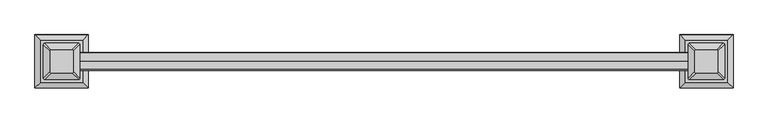
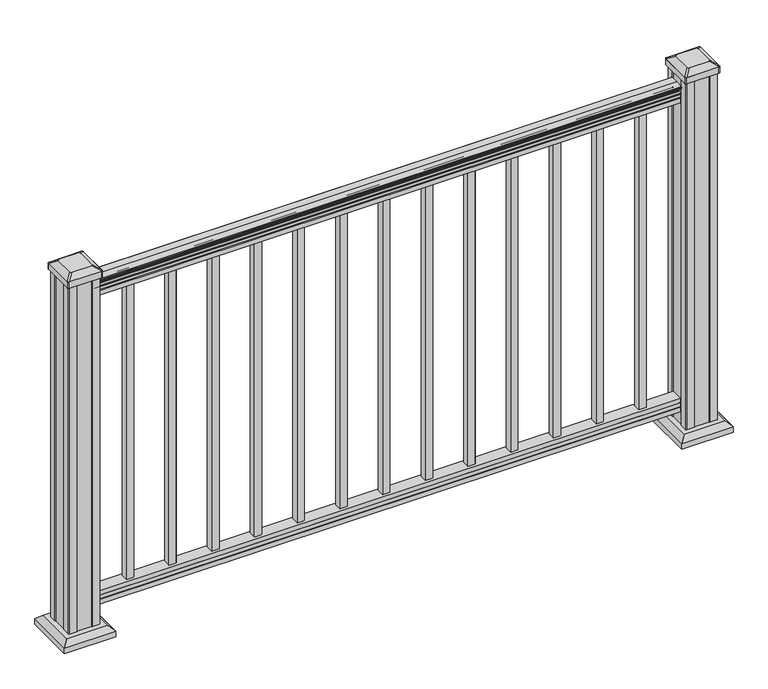
"""IFC4 building model written with IfcOpenShell, lengths in millimetres: railing geometry."""

from ifc_helpers import new_model, si_unit, point, frame, frame_2d, origin, origin_with_axes, place, context, project, spatial, polyline, circle_curve, trimmed, segment, composite_curve, outline, extrude, faceted_brep, source, transform, mapped, element, save
from ifc_brep_helpers import plane_surface, cylinder_surface, revolved_surface, extruded_surface, advanced_brep


def railing_db989688(model_context):
    return source(origin(), model_context, "Body", "SolidModel", [
        advanced_brep(
        [(15939.6844021, -5768.9092591, 938.4043297), (15939.6844021, -5771.4830879, 938.4043297), (15939.6844021, -5771.4830879, 927.747013), (15939.6844021, -5770.4670879, 926.731013), (15939.6844021, -5770.4670879, 914.4), (15939.6844021, -5802.2170879, 914.4), (15939.6844021, -5802.2170879, 926.8888283), (15939.6844021, -5801.2010879, 927.9048283), (15939.6844021, -5801.2010879, 938.4043297), (15939.6844021, -5803.7749166, 938.4043297), (15939.6844021, -5803.7749166, 940.292412), (15939.6844021, -5804.9051029, 941.8546695), (15939.6844021, -5804.9051029, 949.0726458), (15939.6844021, -5804.2558465, 951.5060812), (15939.6844021, -5806.7558465, 955.8362083), (15939.6844021, -5808.1651889, 957.5157972), (15939.6844021, -5808.5670879, 958.6205318), (15939.6844021, -5808.5670879, 959.9608158), (15939.6844021, -5807.0136406, 961.514263), (15939.6844021, -5786.3420879, 961.514263), (15939.6844021, -5765.6705351, 961.514263), (15939.6844021, -5764.1170879, 959.9608158), (15939.6844021, -5764.1170879, 958.6205318), (15939.6844021, -5764.5189868, 957.5157972), (15939.6844021, -5765.9283292, 955.8362083), (15939.6844021, -5768.4283292, 951.5060812), (15939.6844021, -5767.7790728, 949.0726458), (15939.6844021, -5767.7790728, 941.8546695), (15939.6844021, -5768.9092591, 940.292412), (17463.6844021, -5768.9092591, 938.4043297), (17463.6844021, -5768.9092591, 940.292412), (17463.6844021, -5767.7790728, 941.8546695), (17463.6844021, -5767.7790728, 949.0726458), (17463.6844021, -5768.4283292, 951.5060812), (17463.6844021, -5765.9283292, 955.8362083), (17463.6844021, -5764.5189868, 957.5157972), (17463.6844021, -5764.1170878, 958.6205318), (17463.6844021, -5764.1170879, 959.9608158), (17463.6844021, -5765.6705351, 961.514263), (17463.6844021, -5786.3420879, 961.514263), (17463.6844021, -5807.0136406, 961.514263), (17463.6844021, -5808.5670879, 959.9608158), (17463.6844021, -5808.5670879, 958.6205318), (17463.6844021, -5808.1651889, 957.5157972), (17463.6844021, -5806.7558465, 955.8362083), (17463.6844021, -5804.2558465, 951.5060812), (17463.6844021, -5804.9051029, 949.0726458), (17463.6844021, -5804.9051029, 941.8546695), (17463.6844021, -5803.7749166, 940.292412), (17463.6844021, -5803.7749166, 938.4043297), (17463.6844021, -5801.2010879, 938.4043297), (17463.6844021, -5801.2010879, 927.9048283), (17463.6844021, -5802.2170879, 926.8888283), (17463.6844021, -5802.2170879, 914.4), (17463.6844021, -5770.4670879, 914.4), (17463.6844021, -5770.4670879, 926.731013), (17463.6844021, -5771.4830879, 927.747013), (17463.6844021, -5771.4830879, 938.4043297)],
        [
            (0, 1, circle_curve(frame((15939.6844021, -5770.1961735, 938.4043297), z_axis=(-1.0, 0.0, 0.0), x_axis=(0.0, -1.0, 0.0)), 1.2869144)),
            (1, 2),
            (2, 3),
            (3, 4),
            (4, 5),
            (5, 6),
            (6, 7),
            (7, 8),
            (8, 9, circle_curve(frame((15939.6844021, -5802.4880022, 938.4043297), z_axis=(-1.0, 0.0, 0.0), x_axis=(0.0, 1.0, 0.0)), 1.2869144)),
            (9, 10),
            (10, 11, circle_curve(frame((15939.6844021, -5797.4601633, 946.0506383), z_axis=(-1.0, 0.0, 0.0), x_axis=(0.0, 1.0, 0.0)), 8.545951)),
            (11, 12, circle_curve(frame((15939.6844021, -5797.8972263, 945.4636577), z_axis=(-1.0, 0.0, 0.0), x_axis=(0.0, 1.0, 0.0)), 7.882584)),
            (12, 13, circle_curve(frame((15939.6844021, -5808.4105504, 951.3112527), z_axis=(1.0, 0.0, 0.0), x_axis=(0.0, 1.0, 0.0)), 4.1592695)),
            (13, 14, circle_curve(frame((15939.6844021, -5809.697857, 951.2508864), z_axis=(1.0, 0.0, 0.0), x_axis=(0.0, 1.0, 0.0)), 5.4479907)),
            (14, 15, circle_curve(frame((15939.6844021, -5808.4646985, 955.833395), z_axis=(1.0, 0.0, 0.0), x_axis=(0.0, 1.0, 0.0)), 1.7088543)),
            (15, 16, circle_curve(frame((15939.6844021, -5806.8477984, 958.6205318), z_axis=(-1.0, 0.0, 0.0), x_axis=(0.0, 1.0, 0.0)), 1.7192895)),
            (16, 17),
            (17, 18, circle_curve(frame((15939.6844021, -5807.0136406, 959.9608158), z_axis=(-1.0, 0.0, 0.0), x_axis=(0.0, 1.0, 0.0)), 1.5534472)),
            (18, 19),
            (19, 20),
            (20, 21, circle_curve(frame((15939.6844021, -5765.6705351, 959.9608158), z_axis=(-1.0, 0.0, 0.0), x_axis=(0.0, -1.0, 0.0)), 1.5534472)),
            (21, 22),
            (22, 23, circle_curve(frame((15939.6844021, -5765.8363773, 958.6205318), z_axis=(-1.0, 0.0, 0.0), x_axis=(0.0, -1.0, 0.0)), 1.7192895)),
            (23, 24, circle_curve(frame((15939.6844021, -5764.2194772, 955.833395), z_axis=(1.0, 0.0, 0.0), x_axis=(0.0, -1.0, 0.0)), 1.7088543)),
            (24, 25, circle_curve(frame((15939.6844021, -5762.9863188, 951.2508864), z_axis=(1.0, 0.0, 0.0), x_axis=(0.0, -1.0, 0.0)), 5.4479907)),
            (25, 26, circle_curve(frame((15939.6844021, -5764.2736253, 951.3112527), z_axis=(1.0, 0.0, 0.0), x_axis=(0.0, -1.0, 0.0)), 4.1592695)),
            (26, 27, circle_curve(frame((15939.6844021, -5774.7869494, 945.4636577), z_axis=(-1.0, 0.0, 0.0), x_axis=(0.0, -1.0, 0.0)), 7.882584)),
            (27, 28, circle_curve(frame((15939.6844021, -5775.2240124, 946.0506383), z_axis=(-1.0, 0.0, 0.0), x_axis=(0.0, -1.0, 0.0)), 8.545951)),
            (28, 0),
            (29, 30),
            (30, 31, circle_curve(frame((17463.6844021, -5775.2240124, 946.0506383), z_axis=(1.0, 0.0, 0.0), x_axis=(0.0, -1.0, 0.0)), 8.545951)),
            (31, 32, circle_curve(frame((17463.6844021, -5774.7869494, 945.4636577), z_axis=(1.0, 0.0, 0.0), x_axis=(0.0, -1.0, 0.0)), 7.882584)),
            (32, 33, circle_curve(frame((17463.6844021, -5764.2736253, 951.3112527), z_axis=(-1.0, 0.0, 0.0), x_axis=(0.0, -1.0, 0.0)), 4.1592695)),
            (33, 34, circle_curve(frame((17463.6844021, -5762.9863188, 951.2508864), z_axis=(-1.0, 0.0, 0.0), x_axis=(0.0, -1.0, 0.0)), 5.4479907)),
            (34, 35, circle_curve(frame((17463.6844021, -5764.2194772, 955.833395), z_axis=(-1.0, 0.0, 0.0), x_axis=(0.0, -1.0, 0.0)), 1.7088543)),
            (35, 36, circle_curve(frame((17463.6844021, -5765.8363773, 958.6205318), z_axis=(1.0, 0.0, 0.0), x_axis=(0.0, -1.0, 0.0)), 1.7192895)),
            (36, 37),
            (37, 38, circle_curve(frame((17463.6844021, -5765.6705351, 959.9608158), z_axis=(1.0, 0.0, 0.0), x_axis=(0.0, -1.0, 0.0)), 1.5534472)),
            (38, 39),
            (39, 40),
            (40, 41, circle_curve(frame((17463.6844021, -5807.0136406, 959.9608158), z_axis=(1.0, 0.0, 0.0), x_axis=(0.0, 1.0, 0.0)), 1.5534472)),
            (41, 42),
            (42, 43, circle_curve(frame((17463.6844021, -5806.8477984, 958.6205318), z_axis=(1.0, 0.0, 0.0), x_axis=(0.0, 1.0, 0.0)), 1.7192895)),
            (43, 44, circle_curve(frame((17463.6844021, -5808.4646985, 955.833395), z_axis=(-1.0, 0.0, 0.0), x_axis=(0.0, 1.0, 0.0)), 1.7088543)),
            (44, 45, circle_curve(frame((17463.6844021, -5809.697857, 951.2508864), z_axis=(-1.0, 0.0, 0.0), x_axis=(0.0, 1.0, 0.0)), 5.4479907)),
            (45, 46, circle_curve(frame((17463.6844021, -5808.4105504, 951.3112527), z_axis=(-1.0, 0.0, 0.0), x_axis=(0.0, 1.0, 0.0)), 4.1592695)),
            (46, 47, circle_curve(frame((17463.6844021, -5797.8972263, 945.4636577), z_axis=(1.0, 0.0, 0.0), x_axis=(0.0, 1.0, 0.0)), 7.882584)),
            (47, 48, circle_curve(frame((17463.6844021, -5797.4601633, 946.0506383), z_axis=(1.0, 0.0, 0.0), x_axis=(0.0, 1.0, 0.0)), 8.545951)),
            (48, 49),
            (49, 50, circle_curve(frame((17463.6844021, -5802.4880022, 938.4043297), z_axis=(1.0, 0.0, 0.0), x_axis=(0.0, 1.0, 0.0)), 1.2869144)),
            (50, 51),
            (51, 52),
            (52, 53),
            (53, 54),
            (54, 55),
            (55, 56),
            (56, 57),
            (57, 29, circle_curve(frame((17463.6844021, -5770.1961735, 938.4043297), z_axis=(1.0, 0.0, 0.0), x_axis=(0.0, -1.0, 0.0)), 1.2869144)),
            (0, 29),
            (57, 1),
            (56, 2),
            (55, 3),
            (54, 4),
            (53, 5),
            (52, 6),
            (51, 7),
            (50, 8),
            (49, 9),
            (48, 10),
            (47, 11),
            (46, 12),
            (45, 13),
            (44, 14),
            (43, 15),
            (42, 16),
            (41, 17),
            (40, 18),
            (39, 19),
            (38, 20),
            (37, 21),
            (36, 22),
            (35, 23),
            (34, 24),
            (33, 25),
            (32, 26),
            (31, 27),
            (30, 28),
        ],
        [
            plane_surface(frame((15939.6844021, -5786.3420879, 914.4), z_axis=(-1.0, 0.0, 0.0), x_axis=(0.0, 1.0, 0.0))),
            plane_surface(frame((17463.6844021, -5786.3420879, 914.4), z_axis=(1.0, 0.0, 0.0), x_axis=(0.0, 1.0, 0.0))),
            cylinder_surface(frame((15939.6844021, -5770.1961735, 938.4043297), z_axis=(-1.0, 0.0, 0.0), x_axis=(0.0, -1.0, 0.0)), 1.2869144),
            plane_surface(frame((15939.6844021, -5771.4830879, 938.4043297), z_axis=(0.0, 1.0, 0.0), x_axis=(1.0, 0.0, 0.0))),
            plane_surface(frame((15939.6844021, -5771.4830879, 927.747013), z_axis=(0.0, 0.7071067811865395, 0.7071067811865556), x_axis=(1.0, 0.0, 0.0))),
            plane_surface(frame((15939.6844021, -5770.4670879, 926.731013), z_axis=(0.0, 1.0, 0.0), x_axis=(1.0, 0.0, 0.0))),
            plane_surface(frame((15939.6844021, -5770.4670879, 914.4), z_axis=(0.0, 0.0, -1.0), x_axis=(1.0, 0.0, 0.0))),
            plane_surface(frame((15939.6844021, -5802.2170879, 914.4), z_axis=(0.0, -1.0, 0.0), x_axis=(1.0, 0.0, 0.0))),
            plane_surface(frame((15939.6844021, -5802.2170879, 926.8888283), z_axis=(0.0, -0.7071067811865432, 0.707106781186552), x_axis=(1.0, 0.0, 0.0))),
            plane_surface(frame((15939.6844021, -5801.2010879, 927.9048283), z_axis=(0.0, -1.0, 0.0), x_axis=(1.0, 0.0, 0.0))),
            cylinder_surface(frame((15939.6844021, -5802.4880022, 938.4043297), z_axis=(-1.0, 0.0, 0.0), x_axis=(0.0, 1.0, 0.0)), 1.2869144),
            plane_surface(frame((15939.6844021, -5803.7749166, 938.4043297), z_axis=(0.0, -1.0, 0.0), x_axis=(1.0, 0.0, 0.0))),
            cylinder_surface(frame((15939.6844021, -5797.4601633, 946.0506383), z_axis=(-1.0, 0.0, 0.0), x_axis=(0.0, 1.0, 0.0)), 8.545951),
            cylinder_surface(frame((15939.6844021, -5797.8972263, 945.4636577), z_axis=(-1.0, 0.0, 0.0), x_axis=(0.0, 1.0, 0.0)), 7.882584),
            revolved_surface(polyline([(17463.6844021, -5804.2512809, 951.3112527), (15939.6844021, -5804.2512809, 951.3112527)]), (15939.6844021, -5808.4105504, 951.3112527), (1.0, 0.0, 0.0)),
            revolved_surface(polyline([(17463.6844021, -5804.2498663, 951.2508864), (15939.6844021, -5804.2498663, 951.2508864)]), (15939.6844021, -5809.697857, 951.2508864), (1.0, 0.0, 0.0)),
            revolved_surface(polyline([(17463.6844021, -5806.7558442, 955.833395), (15939.6844021, -5806.7558442, 955.833395)]), (15939.6844021, -5808.4646985, 955.833395), (1.0, 0.0, 0.0)),
            cylinder_surface(frame((15939.6844021, -5806.8477984, 958.6205318), z_axis=(-1.0, 0.0, 0.0), x_axis=(0.0, 1.0, 0.0)), 1.7192895),
            plane_surface(frame((15939.6844021, -5808.5670879, 958.6205318), z_axis=(0.0, -1.0, 0.0), x_axis=(1.0, 0.0, 0.0))),
            cylinder_surface(frame((15939.6844021, -5807.0136406, 959.9608158), z_axis=(-1.0, 0.0, 0.0), x_axis=(0.0, 1.0, 0.0)), 1.5534472),
            plane_surface(frame((15939.6844021, -5807.0136406, 961.514263), z_axis=(0.0, 0.0, 1.0), x_axis=(1.0, 0.0, 0.0))),
            plane_surface(frame((15939.6844021, -5786.3420879, 961.514263), z_axis=(0.0, 0.0, 1.0), x_axis=(1.0, 0.0, 0.0))),
            cylinder_surface(frame((15939.6844021, -5765.6705351, 959.9608158), z_axis=(-1.0, 0.0, 0.0), x_axis=(0.0, -1.0, 0.0)), 1.5534472),
            plane_surface(frame((15939.6844021, -5764.1170879, 959.9608158), z_axis=(0.0, 1.0, 0.0), x_axis=(1.0, 0.0, 0.0))),
            cylinder_surface(frame((15939.6844021, -5765.8363773, 958.6205318), z_axis=(-1.0, 0.0, 0.0), x_axis=(0.0, -1.0, 0.0)), 1.7192895),
            revolved_surface(polyline([(17463.6844021, -5765.9283315, 955.833395), (15939.6844021, -5765.9283315, 955.833395)]), (15939.6844021, -5764.2194772, 955.833395), (1.0, 0.0, 0.0)),
            revolved_surface(polyline([(17463.6844021, -5768.4343095, 951.2508864), (15939.6844021, -5768.4343095, 951.2508864)]), (15939.6844021, -5762.9863188, 951.2508864), (1.0, 0.0, 0.0)),
            revolved_surface(polyline([(17463.6844021, -5768.4328948, 951.3112527), (15939.6844021, -5768.4328948, 951.3112527)]), (15939.6844021, -5764.2736253, 951.3112527), (1.0, 0.0, 0.0)),
            cylinder_surface(frame((15939.6844021, -5774.7869494, 945.4636577), z_axis=(-1.0, 0.0, 0.0), x_axis=(0.0, -1.0, 0.0)), 7.882584),
            cylinder_surface(frame((15939.6844021, -5775.2240124, 946.0506383), z_axis=(-1.0, 0.0, 0.0), x_axis=(0.0, -1.0, 0.0)), 8.545951),
            plane_surface(frame((15939.6844021, -5768.9092591, 940.292412), z_axis=(0.0, 1.0, 0.0), x_axis=(1.0, 0.0, 0.0))),
        ],
        [
            (0, [[1, 2, 3, 4, 5, 6, 7, 8, 9, 10, 11, 12, 13, 14, 15, 16, 17, 18, 19, 20, 21, 22, 23, 24, 25, 26, 27, 28, 29]]),
            (1, [[30, 31, 32, 33, 34, 35, 36, 37, 38, 39, 40, 41, 42, 43, 44, 45, 46, 47, 48, 49, 50, 51, 52, 53, 54, 55, 56, 57, 58]]),
            (2, [[-1, 59, -58, 60]]),
            (3, [[-2, -60, -57, 61]]),
            (4, [[-3, -61, -56, 62]]),
            (5, [[-4, -62, -55, 63]]),
            (6, [[-5, -63, -54, 64]]),
            (7, [[-6, -64, -53, 65]]),
            (8, [[-7, -65, -52, 66]]),
            (9, [[-8, -66, -51, 67]]),
            (10, [[-9, -67, -50, 68]]),
            (11, [[-10, -68, -49, 69]]),
            (12, [[-11, -69, -48, 70]]),
            (13, [[-12, -70, -47, 71]]),
            (14, [[-13, -71, -46, 72]]),
            (15, [[-14, -72, -45, 73]]),
            (16, [[-15, -73, -44, 74]]),
            (17, [[-16, -74, -43, 75]]),
            (18, [[-17, -75, -42, 76]]),
            (19, [[-18, -76, -41, 77]]),
            (20, [[-19, -77, -40, 78]]),
            (21, [[-20, -78, -39, 79]]),
            (22, [[-21, -79, -38, 80]]),
            (23, [[-22, -80, -37, 81]]),
            (24, [[-23, -81, -36, 82]]),
            (25, [[-24, -82, -35, 83]]),
            (26, [[-25, -83, -34, 84]]),
            (27, [[-26, -84, -33, 85]]),
            (28, [[-27, -85, -32, 86]]),
            (29, [[-28, -86, -31, 87]]),
            (30, [[-29, -87, -30, -59]]),
        ],
    ),
        faceted_brep([(15939.6844021, -5770.429601, 76.0541976), (15939.6844021, -5770.429601, 63.5), (15939.6844021, -5802.179601, 63.5), (15939.6844021, -5802.179601, 76.0375508), (15939.6844021, -5801.163601, 77.3858283), (15939.6844021, -5801.163601, 87.6975248), (15939.6844021, -5802.179601, 89.0458024), (15939.6844021, -5802.179601, 101.5958781), (15939.6844021, -5770.429601, 101.5958781), (15939.6844021, -5770.429601, 89.0624492), (15939.6844021, -5771.445601, 87.7141717), (15939.6844021, -5771.445601, 77.3546183), (17463.6844021, -5770.429601, 76.0541976), (17463.6844021, -5771.445601, 77.3546183), (17463.6844021, -5771.445601, 87.7141717), (17463.6844021, -5770.429601, 89.0624492), (17463.6844021, -5770.429601, 101.5958781), (17463.6844021, -5802.179601, 101.5958781), (17463.6844021, -5802.179601, 89.0458024), (17463.6844021, -5801.163601, 87.6975248), (17463.6844021, -5801.163601, 77.3858283), (17463.6844021, -5802.179601, 76.0375508), (17463.6844021, -5802.179601, 63.5), (17463.6844021, -5770.429601, 63.5)], [[[0, 1, 2, 3, 4, 5, 6, 7, 8, 9, 10, 11]], [[12, 13, 14, 15, 16, 17, 18, 19, 20, 21, 22, 23]], [[1, 0, 12, 23]], [[2, 1, 23, 22]], [[3, 2, 22, 21]], [[4, 3, 21, 20]], [[5, 4, 20, 19]], [[6, 5, 19, 18]], [[7, 6, 18, 17]], [[8, 7, 17, 16]], [[9, 8, 16, 15]], [[10, 9, 15, 14]], [[11, 10, 14, 13]], [[0, 11, 13, 12]]]),
        extrude(outline(polyline([(17359.1078396, -5776.8170879), (17378.1578396, -5776.8170879), (17378.1578396, -5795.8670879), (17359.1078396, -5795.8670879), (17359.1078396, -5776.8170879)]), holes=[polyline([(17359.5047146, -5777.2139629), (17359.5047146, -5795.4702129), (17377.7609646, -5795.4702129), (17377.7609646, -5777.2139629), (17359.5047146, -5777.2139629)])]), frame((0.0, 0.0, 101.5958781), z_axis=(0.0, 0.0, 1.0), x_axis=(1.0, 0.0, 0.0)), (0.0, 0.0, 1.0), 812.8041219),
        extrude(outline(polyline([(17247.9828396, -5776.8170879), (17267.0328396, -5776.8170879), (17267.0328396, -5795.8670879), (17247.9828396, -5795.8670879), (17247.9828396, -5776.8170879)]), holes=[polyline([(17248.3797146, -5777.2139629), (17248.3797146, -5795.4702129), (17266.6359646, -5795.4702129), (17266.6359646, -5777.2139629), (17248.3797146, -5777.2139629)])]), frame((0.0, 0.0, 101.5958781), z_axis=(0.0, 0.0, 1.0), x_axis=(1.0, 0.0, 0.0)), (0.0, 0.0, 1.0), 812.8041219),
        extrude(outline(polyline([(17136.8578396, -5776.8170879), (17155.9078396, -5776.8170879), (17155.9078396, -5795.8670879), (17136.8578396, -5795.8670879), (17136.8578396, -5776.8170879)]), holes=[polyline([(17137.2547146, -5777.2139629), (17137.2547146, -5795.4702129), (17155.5109646, -5795.4702129), (17155.5109646, -5777.2139629), (17137.2547146, -5777.2139629)])]), frame((0.0, 0.0, 101.5958781), z_axis=(0.0, 0.0, 1.0), x_axis=(1.0, 0.0, 0.0)), (0.0, 0.0, 1.0), 812.8041219),
        extrude(outline(polyline([(17025.7328396, -5776.8170879), (17044.7828396, -5776.8170879), (17044.7828396, -5795.8670879), (17025.7328396, -5795.8670879), (17025.7328396, -5776.8170879)]), holes=[polyline([(17026.1297146, -5777.2139629), (17026.1297146, -5795.4702129), (17044.3859646, -5795.4702129), (17044.3859646, -5777.2139629), (17026.1297146, -5777.2139629)])]), frame((0.0, 0.0, 101.5958781), z_axis=(0.0, 0.0, 1.0), x_axis=(1.0, 0.0, 0.0)), (0.0, 0.0, 1.0), 812.8041219),
        extrude(outline(polyline([(16914.6078396, -5776.8170879), (16933.6578396, -5776.8170879), (16933.6578396, -5795.8670879), (16914.6078396, -5795.8670879), (16914.6078396, -5776.8170879)]), holes=[polyline([(16915.0047146, -5777.2139629), (16915.0047146, -5795.4702129), (16933.2609646, -5795.4702129), (16933.2609646, -5777.2139629), (16915.0047146, -5777.2139629)])]), frame((0.0, 0.0, 101.5958781), z_axis=(0.0, 0.0, 1.0), x_axis=(1.0, 0.0, 0.0)), (0.0, 0.0, 1.0), 812.8041219),
        extrude(outline(polyline([(16803.4828396, -5776.8170879), (16822.5328396, -5776.8170879), (16822.5328396, -5795.8670879), (16803.4828396, -5795.8670879), (16803.4828396, -5776.8170879)]), holes=[polyline([(16803.8797146, -5777.2139629), (16803.8797146, -5795.4702129), (16822.1359646, -5795.4702129), (16822.1359646, -5777.2139629), (16803.8797146, -5777.2139629)])]), frame((0.0, 0.0, 101.5958781), z_axis=(0.0, 0.0, 1.0), x_axis=(1.0, 0.0, 0.0)), (0.0, 0.0, 1.0), 812.8041219),
        extrude(outline(polyline([(16692.3578396, -5776.8170879), (16711.4078396, -5776.8170879), (16711.4078396, -5795.8670879), (16692.3578396, -5795.8670879), (16692.3578396, -5776.8170879)]), holes=[polyline([(16692.7547146, -5777.2139629), (16692.7547146, -5795.4702129), (16711.0109646, -5795.4702129), (16711.0109646, -5777.2139629), (16692.7547146, -5777.2139629)])]), frame((0.0, 0.0, 101.5958781), z_axis=(0.0, 0.0, 1.0), x_axis=(1.0, 0.0, 0.0)), (0.0, 0.0, 1.0), 812.8041219),
        extrude(outline(polyline([(16581.2328396, -5776.8170879), (16600.2828396, -5776.8170879), (16600.2828396, -5795.8670879), (16581.2328396, -5795.8670879), (16581.2328396, -5776.8170879)]), holes=[polyline([(16581.6297146, -5777.2139629), (16581.6297146, -5795.4702129), (16599.8859646, -5795.4702129), (16599.8859646, -5777.2139629), (16581.6297146, -5777.2139629)])]), frame((0.0, 0.0, 101.5958781), z_axis=(0.0, 0.0, 1.0), x_axis=(1.0, 0.0, 0.0)), (0.0, 0.0, 1.0), 812.8041219),
        extrude(outline(polyline([(16470.1078396, -5776.8170879), (16489.1578396, -5776.8170879), (16489.1578396, -5795.8670879), (16470.1078396, -5795.8670879), (16470.1078396, -5776.8170879)]), holes=[polyline([(16470.5047146, -5777.2139629), (16470.5047146, -5795.4702129), (16488.7609646, -5795.4702129), (16488.7609646, -5777.2139629), (16470.5047146, -5777.2139629)])]), frame((0.0, 0.0, 101.5958781), z_axis=(0.0, 0.0, 1.0), x_axis=(1.0, 0.0, 0.0)), (0.0, 0.0, 1.0), 812.8041219),
        extrude(outline(polyline([(16358.9828396, -5776.8170879), (16378.0328396, -5776.8170879), (16378.0328396, -5795.8670879), (16358.9828396, -5795.8670879), (16358.9828396, -5776.8170879)]), holes=[polyline([(16359.3797146, -5777.2139629), (16359.3797146, -5795.4702129), (16377.6359646, -5795.4702129), (16377.6359646, -5777.2139629), (16359.3797146, -5777.2139629)])]), frame((0.0, 0.0, 101.5958781), z_axis=(0.0, 0.0, 1.0), x_axis=(1.0, 0.0, 0.0)), (0.0, 0.0, 1.0), 812.8041219),
        extrude(outline(polyline([(16247.8578396, -5776.8170879), (16266.9078396, -5776.8170879), (16266.9078396, -5795.8670879), (16247.8578396, -5795.8670879), (16247.8578396, -5776.8170879)]), holes=[polyline([(16248.2547146, -5777.2139629), (16248.2547146, -5795.4702129), (16266.5109646, -5795.4702129), (16266.5109646, -5777.2139629), (16248.2547146, -5777.2139629)])]), frame((0.0, 0.0, 101.5958781), z_axis=(0.0, 0.0, 1.0), x_axis=(1.0, 0.0, 0.0)), (0.0, 0.0, 1.0), 812.8041219),
        extrude(outline(polyline([(16136.7328396, -5776.8170879), (16155.7828396, -5776.8170879), (16155.7828396, -5795.8670879), (16136.7328396, -5795.8670879), (16136.7328396, -5776.8170879)]), holes=[polyline([(16137.1297146, -5777.2139629), (16137.1297146, -5795.4702129), (16155.3859646, -5795.4702129), (16155.3859646, -5777.2139629), (16137.1297146, -5777.2139629)])]), frame((0.0, 0.0, 101.5958781), z_axis=(0.0, 0.0, 1.0), x_axis=(1.0, 0.0, 0.0)), (0.0, 0.0, 1.0), 812.8041219),
        extrude(outline(polyline([(16025.6078396, -5776.8170879), (16044.6578396, -5776.8170879), (16044.6578396, -5795.8670879), (16025.6078396, -5795.8670879), (16025.6078396, -5776.8170879)]), holes=[polyline([(16026.0047146, -5777.2139629), (16026.0047146, -5795.4702129), (16044.2609646, -5795.4702129), (16044.2609646, -5777.2139629), (16026.0047146, -5777.2139629)])]), frame((0.0, 0.0, 101.5958781), z_axis=(0.0, 0.0, 1.0), x_axis=(1.0, 0.0, 0.0)), (0.0, 0.0, 1.0), 812.8041219),
        faceted_brep([(17452.3734646, -5733.7561504, 28.575), (17452.3734646, -5838.9280254, 28.575), (17557.5453396, -5838.9280254, 28.575), (17557.5453396, -5733.7561504, 28.575), (17438.3340115, -5719.7166972, 15.24), (17571.5847927, -5719.7166972, 15.24), (17571.5847927, -5852.9674785, 15.24), (17438.3340115, -5852.9674785, 15.24)], [[[0, 1, 2, 3]], [[4, 5, 6, 7]], [[4, 7, 1, 0]], [[7, 6, 2, 1]], [[6, 5, 3, 2]], [[5, 4, 0, 3]]]),
        extrude(outline(polyline([(17438.3340115, -5719.7166972), (17571.5847927, -5719.7166972), (17571.5847927, -5852.9674785), (17438.3340115, -5852.9674785), (17438.3340115, -5719.7166972)])), origin_with_axes(), (0.0, 0.0, 1.0), 15.24),
        advanced_brep(
        [(17475.9875271, -5812.1389629, 1012.825), (17479.1625271, -5815.3139629, 1012.825), (17530.7562771, -5815.3139629, 1012.825), (17533.9312771, -5812.1389629, 1012.825), (17533.9312771, -5760.5452129, 1012.825), (17530.7562771, -5757.3702129, 1012.825), (17479.1625271, -5757.3702129, 1012.825), (17475.9875271, -5760.5452129, 1012.825), (17459.7156521, -5828.4108379, 1001.522), (17459.7156521, -5744.2733379, 1001.522), (17462.8906521, -5741.0983379, 1001.522), (17547.0281521, -5741.0983379, 1001.522), (17550.2031521, -5744.2733379, 1001.522), (17550.2031521, -5828.4108379, 1001.522), (17547.0281521, -5831.5858379, 1001.522), (17462.8906521, -5831.5858379, 1001.522)],
        [
            (0, 1, circle_curve(frame((17479.1625271, -5812.1389629, 1012.825), z_axis=(0.0, 0.0, 1.0), x_axis=(1.0, 0.0, 0.0)), 3.175)),
            (1, 2),
            (2, 3, circle_curve(frame((17530.7562771, -5812.1389629, 1012.825), z_axis=(0.0, 0.0, 1.0), x_axis=(1.0, 0.0, 0.0)), 3.175)),
            (3, 4),
            (4, 5, circle_curve(frame((17530.7562771, -5760.5452129, 1012.825), z_axis=(0.0, 0.0, 1.0), x_axis=(1.0, 0.0, 0.0)), 3.175)),
            (5, 6),
            (6, 7, circle_curve(frame((17479.1625271, -5760.5452129, 1012.825), z_axis=(0.0, 0.0, 1.0), x_axis=(1.0, 0.0, 0.0)), 3.175)),
            (7, 0),
            (8, 9),
            (9, 10, circle_curve(frame((17462.8906521, -5744.2733379, 1001.522), z_axis=(0.0, 0.0, -1.0), x_axis=(1.0, 0.0, 0.0)), 3.175)),
            (10, 11),
            (11, 12, circle_curve(frame((17547.0281521, -5744.2733379, 1001.522), z_axis=(0.0, 0.0, -1.0), x_axis=(1.0, 0.0, 0.0)), 3.175)),
            (12, 13),
            (13, 14, circle_curve(frame((17547.0281521, -5828.4108379, 1001.522), z_axis=(0.0, 0.0, -1.0), x_axis=(1.0, 0.0, 0.0)), 3.175)),
            (14, 15),
            (15, 8, circle_curve(frame((17462.8906521, -5828.4108379, 1001.522), z_axis=(0.0, 0.0, -1.0), x_axis=(1.0, 0.0, 0.0)), 3.175)),
            (15, 1),
            (0, 8),
            (14, 2),
            (13, 3),
            (12, 4),
            (11, 5),
            (10, 6),
            (9, 7),
        ],
        [
            plane_surface(frame((17504.9594021, -5786.3420879, 1012.825), z_axis=(0.0, 0.0, 1.0), x_axis=(0.0, -1.0, 0.0))),
            plane_surface(frame((17504.9594021, -5786.3420879, 1001.522), z_axis=(0.0, 0.0, -1.0), x_axis=(0.0, -1.0, 0.0))),
            extruded_surface(trimmed(circle_curve(frame((17462.8906521, -5828.4108379, 1001.522), z_axis=(0.0, 0.0, 1.0), x_axis=(1.0, 0.0, 0.0)), 3.175), [point((17459.7156521, -5828.4108379, 1001.522))], [point((17462.8906521, -5831.5858379, 1001.522))], True, "CARTESIAN"), (16.271875000002183, 16.271875000000364, 11.302999999999997), 25.63797263886778),
            plane_surface(frame((17504.9594021, -5831.5858379, 1001.522), z_axis=(0.0, -0.5705009161540779, 0.8212969649690408), x_axis=(1.0, 0.0, 0.0))),
            extruded_surface(trimmed(circle_curve(frame((17547.0281521, -5828.4108379, 1001.522), z_axis=(0.0, 0.0, 1.0), x_axis=(1.0, 0.0, 0.0)), 3.175), [point((17547.0281521, -5831.5858379, 1001.522))], [point((17550.2031521, -5828.4108379, 1001.522))], True, "CARTESIAN"), (-16.271874999998545, 16.271875000000364, 11.302999999999997), 25.637972638865467),
            plane_surface(frame((17550.2031521, -5786.3420879, 1001.522), z_axis=(0.5705009161540291, 0.0, 0.8212969649690747), x_axis=(0.0, 1.0, 0.0))),
            extruded_surface(trimmed(circle_curve(frame((17547.0281521, -5744.2733379, 1001.522), z_axis=(0.0, 0.0, 1.0), x_axis=(1.0, 0.0, 0.0)), 3.175), [point((17550.2031521, -5744.2733379, 1001.522))], [point((17547.0281521, -5741.0983379, 1001.522))], True, "CARTESIAN"), (-16.271874999998545, -16.271874999999454, 11.302999999999997), 25.63797263886489),
            plane_surface(frame((17504.9594021, -5741.0983379, 1001.522), z_axis=(0.0, 0.5705009161540141, 0.8212969649690851), x_axis=(-1.0, 0.0, 0.0))),
            extruded_surface(trimmed(circle_curve(frame((17462.8906521, -5744.2733379, 1001.522), z_axis=(0.0, 0.0, 1.0), x_axis=(1.0, 0.0, 0.0)), 3.175), [point((17462.8906521, -5741.0983379, 1001.522))], [point((17459.7156521, -5744.2733379, 1001.522))], True, "CARTESIAN"), (16.271875000002183, -16.271874999999454, 11.302999999999997), 25.6379726388672),
            plane_surface(frame((17459.7156521, -5786.3420879, 1001.522), z_axis=(-0.570500916154034, 0.0, 0.8212969649690713), x_axis=(0.0, -1.0, 0.0))),
        ],
        [
            (0, [[1, 2, 3, 4, 5, 6, 7, 8]]),
            (1, [[9, 10, 11, 12, 13, 14, 15, 16]]),
            (2, [[-16, 17, -1, 18]]),
            (3, [[-15, 19, -2, -17]]),
            (4, [[-14, 20, -3, -19]]),
            (5, [[-13, 21, -4, -20]]),
            (6, [[-12, 22, -5, -21]]),
            (7, [[-11, 23, -6, -22]]),
            (8, [[-10, 24, -7, -23]]),
            (9, [[-9, -18, -8, -24]]),
        ],
    ),
        extrude(outline(composite_curve([segment(polyline([(17459.7156521, -5828.4108379), (17459.7156521, -5744.2733379)]), True, "CONTINUOUS"), segment(trimmed(circle_curve(frame_2d((17462.8906521, -5744.2733379)), 3.175), [point((17459.7156521, -5744.2733379))], [point((17462.8906521, -5741.0983379))], False, "CARTESIAN"), True, "CONTINUOUS"), segment(polyline([(17462.8906521, -5741.0983379), (17547.0281521, -5741.0983379)]), True, "CONTINUOUS"), segment(trimmed(circle_curve(frame_2d((17547.0281521, -5744.2733379)), 3.175), [point((17547.0281521, -5741.0983379))], [point((17550.2031521, -5744.2733379))], False, "CARTESIAN"), True, "CONTINUOUS"), segment(polyline([(17550.2031521, -5744.2733379), (17550.2031521, -5828.4108379)]), True, "CONTINUOUS"), segment(trimmed(circle_curve(frame_2d((17547.0281521, -5828.4108379)), 3.175), [point((17550.2031521, -5828.4108379))], [point((17547.0281521, -5831.5858379))], False, "CARTESIAN"), True, "CONTINUOUS"), segment(polyline([(17547.0281521, -5831.5858379), (17462.8906521, -5831.5858379)]), True, "CONTINUOUS"), segment(trimmed(circle_curve(frame_2d((17462.8906521, -5828.4108379)), 3.175), [point((17462.8906521, -5831.5858379))], [point((17459.7156521, -5828.4108379))], False, "CARTESIAN"), True, "CONTINUOUS")], self_intersect=False)), frame((0.0, 0.0, 984.25), z_axis=(0.0, 0.0, 1.0), x_axis=(1.0, 0.0, 0.0)), (0.0, 0.0, 1.0), 17.272),
        extrude(outline(polyline([(17463.6844021, -5826.0295879), (17463.6844021, -5806.4080879), (17465.2719021, -5805.6460879), (17465.2719021, -5767.0380879), (17463.6844021, -5766.2760879), (17463.6844021, -5746.6545879), (17465.2719021, -5745.0670879), (17484.8934021, -5745.0670879), (17485.6554021, -5746.6545879), (17524.2634021, -5746.6545879), (17525.0254021, -5745.0670879), (17544.6469021, -5745.0670879), (17546.2344021, -5746.6545879), (17546.2344021, -5766.2760879), (17544.6469021, -5767.0380879), (17544.6469021, -5805.6460879), (17546.2344021, -5806.4080879), (17546.2344021, -5826.0295879), (17544.6469021, -5827.6170879), (17525.0254021, -5827.6170879), (17524.2634021, -5826.0295879), (17485.6554021, -5826.0295879), (17484.8934021, -5827.6170879), (17465.2719021, -5827.6170879), (17463.6844021, -5826.0295879)])), origin_with_axes(), (0.0, 0.0, 1.0), 984.25),
        faceted_brep([(15845.8234646, -5733.7561504, 28.575), (15845.8234646, -5838.9280254, 28.575), (15950.9953396, -5838.9280254, 28.575), (15950.9953396, -5733.7561504, 28.575), (15831.7840115, -5719.7166972, 15.24), (15965.0347927, -5719.7166972, 15.24), (15965.0347927, -5852.9674785, 15.24), (15831.7840115, -5852.9674785, 15.24)], [[[0, 1, 2, 3]], [[4, 5, 6, 7]], [[4, 7, 1, 0]], [[7, 6, 2, 1]], [[6, 5, 3, 2]], [[5, 4, 0, 3]]]),
        extrude(outline(polyline([(15831.7840115, -5719.7166972), (15965.0347927, -5719.7166972), (15965.0347927, -5852.9674785), (15831.7840115, -5852.9674785), (15831.7840115, -5719.7166972)])), origin_with_axes(), (0.0, 0.0, 1.0), 15.24),
        advanced_brep(
        [(15869.4375271, -5812.1389629, 1012.825), (15872.6125271, -5815.3139629, 1012.825), (15924.2062771, -5815.3139629, 1012.825), (15927.3812771, -5812.1389629, 1012.825), (15927.3812771, -5760.5452129, 1012.825), (15924.2062771, -5757.3702129, 1012.825), (15872.6125271, -5757.3702129, 1012.825), (15869.4375271, -5760.5452129, 1012.825), (15853.1656521, -5828.4108379, 1001.522), (15853.1656521, -5744.2733379, 1001.522), (15856.3406521, -5741.0983379, 1001.522), (15940.4781521, -5741.0983379, 1001.522), (15943.6531521, -5744.2733379, 1001.522), (15943.6531521, -5828.4108379, 1001.522), (15940.4781521, -5831.5858379, 1001.522), (15856.3406521, -5831.5858379, 1001.522)],
        [
            (0, 1, circle_curve(frame((15872.6125271, -5812.1389629, 1012.825), z_axis=(0.0, 0.0, 1.0), x_axis=(1.0, 0.0, 0.0)), 3.175)),
            (1, 2),
            (2, 3, circle_curve(frame((15924.2062771, -5812.1389629, 1012.825), z_axis=(0.0, 0.0, 1.0), x_axis=(1.0, 0.0, 0.0)), 3.175)),
            (3, 4),
            (4, 5, circle_curve(frame((15924.2062771, -5760.5452129, 1012.825), z_axis=(0.0, 0.0, 1.0), x_axis=(1.0, 0.0, 0.0)), 3.175)),
            (5, 6),
            (6, 7, circle_curve(frame((15872.6125271, -5760.5452129, 1012.825), z_axis=(0.0, 0.0, 1.0), x_axis=(1.0, 0.0, 0.0)), 3.175)),
            (7, 0),
            (8, 9),
            (9, 10, circle_curve(frame((15856.3406521, -5744.2733379, 1001.522), z_axis=(0.0, 0.0, -1.0), x_axis=(1.0, 0.0, 0.0)), 3.175)),
            (10, 11),
            (11, 12, circle_curve(frame((15940.4781521, -5744.2733379, 1001.522), z_axis=(0.0, 0.0, -1.0), x_axis=(1.0, 0.0, 0.0)), 3.175)),
            (12, 13),
            (13, 14, circle_curve(frame((15940.4781521, -5828.4108379, 1001.522), z_axis=(0.0, 0.0, -1.0), x_axis=(1.0, 0.0, 0.0)), 3.175)),
            (14, 15),
            (15, 8, circle_curve(frame((15856.3406521, -5828.4108379, 1001.522), z_axis=(0.0, 0.0, -1.0), x_axis=(1.0, 0.0, 0.0)), 3.175)),
            (15, 1),
            (0, 8),
            (14, 2),
            (13, 3),
            (12, 4),
            (11, 5),
            (10, 6),
            (9, 7),
        ],
        [
            plane_surface(frame((15898.4094021, -5786.3420879, 1012.825), z_axis=(0.0, 0.0, 1.0), x_axis=(0.0, -1.0, 0.0))),
            plane_surface(frame((15898.4094021, -5786.3420879, 1001.522), z_axis=(0.0, 0.0, -1.0), x_axis=(0.0, -1.0, 0.0))),
            extruded_surface(trimmed(circle_curve(frame((15856.3406521, -5828.4108379, 1001.522), z_axis=(0.0, 0.0, 1.0), x_axis=(1.0, 0.0, 0.0)), 3.175), [point((15853.1656521, -5828.4108379, 1001.522))], [point((15856.3406521, -5831.5858379, 1001.522))], True, "CARTESIAN"), (16.271875000000364, 16.271875000000364, 11.302999999999997), 25.63797263886662),
            plane_surface(frame((15898.4094021, -5831.5858379, 1001.522), z_axis=(0.0, -0.5705009161540779, 0.8212969649690408), x_axis=(1.0, 0.0, 0.0))),
            extruded_surface(trimmed(circle_curve(frame((15940.4781521, -5828.4108379, 1001.522), z_axis=(0.0, 0.0, 1.0), x_axis=(1.0, 0.0, 0.0)), 3.175), [point((15940.4781521, -5831.5858379, 1001.522))], [point((15943.6531521, -5828.4108379, 1001.522))], True, "CARTESIAN"), (-16.271875000000364, 16.271875000000364, 11.302999999999997), 25.63797263886662),
            plane_surface(frame((15943.6531521, -5786.3420879, 1001.522), z_axis=(0.5705009161540291, 0.0, 0.8212969649690747), x_axis=(0.0, 1.0, 0.0))),
            extruded_surface(trimmed(circle_curve(frame((15940.4781521, -5744.2733379, 1001.522), z_axis=(0.0, 0.0, 1.0), x_axis=(1.0, 0.0, 0.0)), 3.175), [point((15943.6531521, -5744.2733379, 1001.522))], [point((15940.4781521, -5741.0983379, 1001.522))], True, "CARTESIAN"), (-16.271875000000364, -16.271874999999454, 11.302999999999997), 25.637972638866046),
            plane_surface(frame((15898.4094021, -5741.0983379, 1001.522), z_axis=(0.0, 0.5705009161540141, 0.8212969649690851), x_axis=(-1.0, 0.0, 0.0))),
            extruded_surface(trimmed(circle_curve(frame((15856.3406521, -5744.2733379, 1001.522), z_axis=(0.0, 0.0, 1.0), x_axis=(1.0, 0.0, 0.0)), 3.175), [point((15856.3406521, -5741.0983379, 1001.522))], [point((15853.1656521, -5744.2733379, 1001.522))], True, "CARTESIAN"), (16.271875000000364, -16.271874999999454, 11.302999999999997), 25.637972638866046),
            plane_surface(frame((15853.1656521, -5786.3420879, 1001.522), z_axis=(-0.570500916154034, 0.0, 0.8212969649690713), x_axis=(0.0, -1.0, 0.0))),
        ],
        [
            (0, [[1, 2, 3, 4, 5, 6, 7, 8]]),
            (1, [[9, 10, 11, 12, 13, 14, 15, 16]]),
            (2, [[-16, 17, -1, 18]]),
            (3, [[-15, 19, -2, -17]]),
            (4, [[-14, 20, -3, -19]]),
            (5, [[-13, 21, -4, -20]]),
            (6, [[-12, 22, -5, -21]]),
            (7, [[-11, 23, -6, -22]]),
            (8, [[-10, 24, -7, -23]]),
            (9, [[-9, -18, -8, -24]]),
        ],
    ),
        extrude(outline(composite_curve([segment(polyline([(15853.1656521, -5828.4108379), (15853.1656521, -5744.2733379)]), True, "CONTINUOUS"), segment(trimmed(circle_curve(frame_2d((15856.3406521, -5744.2733379)), 3.175), [point((15853.1656521, -5744.2733379))], [point((15856.3406521, -5741.0983379))], False, "CARTESIAN"), True, "CONTINUOUS"), segment(polyline([(15856.3406521, -5741.0983379), (15940.4781521, -5741.0983379)]), True, "CONTINUOUS"), segment(trimmed(circle_curve(frame_2d((15940.4781521, -5744.2733379)), 3.175), [point((15940.4781521, -5741.0983379))], [point((15943.6531521, -5744.2733379))], False, "CARTESIAN"), True, "CONTINUOUS"), segment(polyline([(15943.6531521, -5744.2733379), (15943.6531521, -5828.4108379)]), True, "CONTINUOUS"), segment(trimmed(circle_curve(frame_2d((15940.4781521, -5828.4108379)), 3.175), [point((15943.6531521, -5828.4108379))], [point((15940.4781521, -5831.5858379))], False, "CARTESIAN"), True, "CONTINUOUS"), segment(polyline([(15940.4781521, -5831.5858379), (15856.3406521, -5831.5858379)]), True, "CONTINUOUS"), segment(trimmed(circle_curve(frame_2d((15856.3406521, -5828.4108379)), 3.175), [point((15856.3406521, -5831.5858379))], [point((15853.1656521, -5828.4108379))], False, "CARTESIAN"), True, "CONTINUOUS")], self_intersect=False)), frame((0.0, 0.0, 984.25), z_axis=(0.0, 0.0, 1.0), x_axis=(1.0, 0.0, 0.0)), (0.0, 0.0, 1.0), 17.272),
        extrude(outline(polyline([(15857.1344021, -5826.0295879), (15857.1344021, -5806.4080879), (15858.7219021, -5805.6460879), (15858.7219021, -5767.0380879), (15857.1344021, -5766.2760879), (15857.1344021, -5746.6545879), (15858.7219021, -5745.0670879), (15878.3434021, -5745.0670879), (15879.1054021, -5746.6545879), (15917.7134021, -5746.6545879), (15918.4754021, -5745.0670879), (15938.0969021, -5745.0670879), (15939.6844021, -5746.6545879), (15939.6844021, -5766.2760879), (15938.0969021, -5767.0380879), (15938.0969021, -5805.6460879), (15939.6844021, -5806.4080879), (15939.6844021, -5826.0295879), (15938.0969021, -5827.6170879), (15918.4754021, -5827.6170879), (15917.7134021, -5826.0295879), (15879.1054021, -5826.0295879), (15878.3434021, -5827.6170879), (15858.7219021, -5827.6170879), (15857.1344021, -5826.0295879)])), origin_with_axes(), (0.0, 0.0, 1.0), 984.25),
    ])


if __name__ == "__main__":
    model = new_model("IFC4")
    model_context = context("Model", 3, world=origin())
    ifc_project = project(units=[si_unit("LENGTHUNIT", "METRE", prefix="MILLI")], contexts=[model_context])
    site = spatial("IfcSite", under=ifc_project)
    building = spatial("IfcBuilding", under=site)
    placement = place(None, origin())
    railing_shape = railing_db989688(model_context)
    element("IfcRailing", 1, at=placement, inside=building, context=model_context, shape_type="MappedRepresentation", body=[
        mapped(railing_shape, transform((0.0, 0.0, 0.0), x_axis=(1.0, 0.0, 0.0), y_axis=(0.0, 1.0, 0.0), z_axis=(0.0, 0.0, 1.0))),
    ])
    save(model, "model.ifc")
